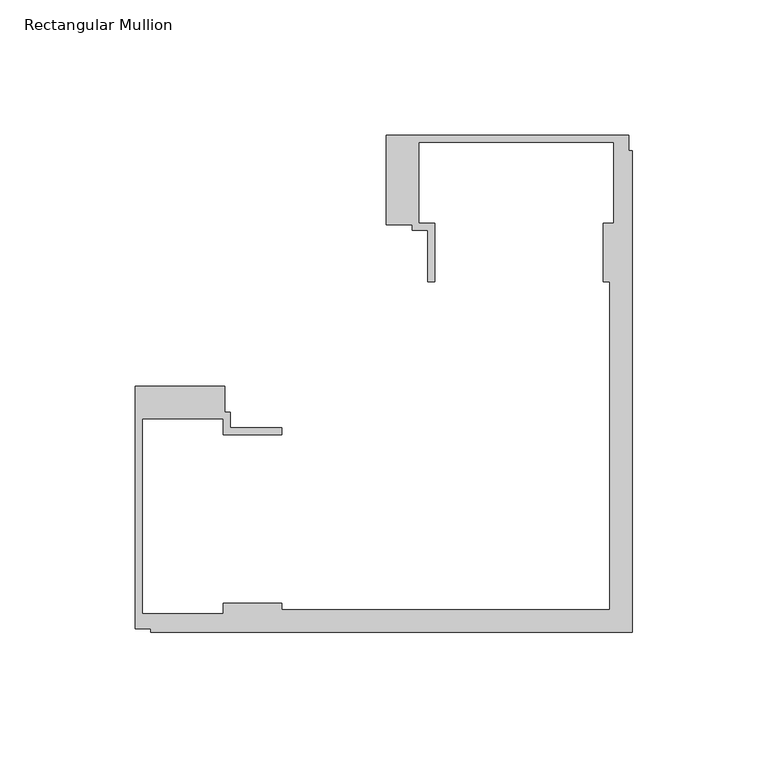
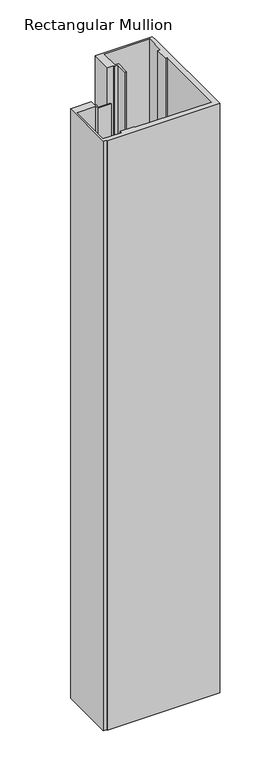
"""IFC4 building model written with IfcOpenShell, lengths in millimetres: member geometry, Rectangular Mullion."""

import ifcopenshell
import ifcopenshell.guid

model = None  # the IFC model being written
_history = None  # IfcOwnerHistory: only IFC2X3 demands one
_inside = {}  # id of a spatial element -> (the spatial element, [elements in it])
_under = {}  # id of a project, library or spatial element -> (it, [spatial elements below it])
_declared = {}  # id of a project -> (the project, [libraries it declares])
_typed = {}  # id of a type object -> (the type object, [elements of that type])
_made_of = {}  # id of a material, layer set ... -> (it, [elements and type objects made of it])


def new_model(schema):
    """Start an empty IFC model of exactly this schema.

    Asked for "IFC4X3", IfcOpenShell would pick the latest addendum, in which some entities
    have other attributes; the version numbers below select the first issue.
    IFC2X3 requires an IfcOwnerHistory on every rooted entity: one is made here for all.
    """
    global model, _history
    if schema == "IFC4X3":
        model = ifcopenshell.file(schema_version=(4, 3, 0, 0))
    else:
        model = ifcopenshell.file(schema=schema)
    _inside.clear()
    _under.clear()
    _declared.clear()
    _typed.clear()
    _made_of.clear()
    _history = None
    if model.schema == "IFC2X3":
        org = make("IfcOrganization", Name="unknown")
        user = make(
            "IfcPersonAndOrganization",
            ThePerson=make("IfcPerson", FamilyName="unknown"),
            TheOrganization=org,
        )
        app = make(
            "IfcApplication",
            ApplicationDeveloper=org,
            Version="unknown",
            ApplicationFullName="unknown",
            ApplicationIdentifier="unknown",
        )
        _history = make(
            "IfcOwnerHistory",
            OwningUser=user,
            OwningApplication=app,
            ChangeAction="ADDED",
            CreationDate=0,
        )
    return model


def make(cls, **values):
    """One entity of the class cls with the attributes given. An attribute that is None is left unset."""
    return model.create_entity(
        cls, **{name: value for name, value in values.items() if value is not None}
    )


def rooted(cls, **values):
    """An entity with a GlobalId (a new one), such as an element, a storey or a relation."""
    return make(cls, GlobalId=ifcopenshell.guid.new(), OwnerHistory=_history, **values)


def si_unit(unit_type, name, prefix=None):
    """IfcSIUnit, for example si_unit("LENGTHUNIT", "METRE", prefix="MILLI")."""
    return make("IfcSIUnit", UnitType=unit_type, Prefix=prefix, Name=name)


def assignment(units):
    """IfcUnitAssignment: the units of a project."""
    return None if units is None else make("IfcUnitAssignment", Units=units)


def point(xyz):
    """IfcCartesianPoint."""
    return None if xyz is None else make("IfcCartesianPoint", Coordinates=xyz)


def direction(xyz):
    """IfcDirection."""
    return None if xyz is None else make("IfcDirection", DirectionRatios=xyz)


def frame(location, z_axis=None, x_axis=None):
    """IfcAxis2Placement3D, a coordinate frame: its origin and axes. An axis left out is left unset."""
    return make(
        "IfcAxis2Placement3D",
        Location=point(location),
        Axis=direction(z_axis),
        RefDirection=direction(x_axis),
    )


def origin():
    """The frame at (0, 0, 0) with its axes left unset."""
    return frame((0.0, 0.0, 0.0))


def place(relative_to, where):
    """IfcLocalPlacement: puts the frame where relative to a parent placement (None: the world)."""
    return make(
        "IfcLocalPlacement", PlacementRelTo=relative_to, RelativePlacement=where
    )


def context(
    kind, dimensions, precision=None, world=None, true_north=None, identifier=None
):
    """IfcGeometricRepresentationContext, for example the 3D "Model" context."""
    return make(
        "IfcGeometricRepresentationContext",
        ContextIdentifier=identifier,
        ContextType=kind,
        CoordinateSpaceDimension=dimensions,
        Precision=precision,
        WorldCoordinateSystem=world,
        TrueNorth=true_north,
    )


def project(units=None, contexts=None):
    """IfcProject with its units and contexts."""
    return rooted(
        "IfcProject",
        Name="project",
        RepresentationContexts=contexts,
        UnitsInContext=assignment(units),
    )


def spatial(cls, under=None, at=None, **own):
    """A site, building, storey or space (cls), placed at a placement, below another one or the project."""
    s = rooted(cls, ObjectPlacement=at, **own)
    if under is not None:
        _under.setdefault(under.id(), (under, []))[1].append(s)
    return s


def polyline(points):
    """IfcPolyline through the points."""
    return make("IfcPolyline", Points=[point(p) for p in points])


def outline(outer, holes=None, kind="AREA"):
    """IfcArbitraryClosedProfileDef: a profile drawn as a closed curve; with holes, ...WithVoids."""
    if holes is None:
        return make("IfcArbitraryClosedProfileDef", ProfileType=kind, OuterCurve=outer)
    return make(
        "IfcArbitraryProfileDefWithVoids",
        ProfileType=kind,
        OuterCurve=outer,
        InnerCurves=holes,
    )


def extrude(swept, where, along, depth):
    """IfcExtrudedAreaSolid: the profile swept, set in the frame where, extruded along a direction by depth."""
    return make(
        "IfcExtrudedAreaSolid",
        SweptArea=swept,
        Position=where,
        ExtrudedDirection=direction(along),
        Depth=depth,
    )


def shape(context_of_items, identifier, shape_type, items):
    """IfcShapeRepresentation: the items that make up one representation, for example the "Body"."""
    return make(
        "IfcShapeRepresentation",
        ContextOfItems=context_of_items,
        RepresentationIdentifier=identifier,
        RepresentationType=shape_type,
        Items=items,
    )


def source(mapping_origin, context_of_items, identifier, shape_type, items):
    """IfcRepresentationMap: a shape defined once, which mapped items show again and again."""
    return make(
        "IfcRepresentationMap",
        MappingOrigin=mapping_origin,
        MappedRepresentation=shape(context_of_items, identifier, shape_type, items),
    )


def transform(
    local_origin,
    x_axis=None,
    y_axis=None,
    z_axis=None,
    scale=None,
    scale2=None,
    scale3=None,
    uniform=True,
):
    """IfcCartesianTransformationOperator3D, or its non-uniform kind. x_axis, y_axis, z_axis: its Axis1, 2, 3."""
    if uniform:
        return make(
            "IfcCartesianTransformationOperator3D",
            Axis1=direction(x_axis),
            Axis2=direction(y_axis),
            LocalOrigin=point(local_origin),
            Scale=scale,
            Axis3=direction(z_axis),
        )
    return make(
        "IfcCartesianTransformationOperator3DnonUniform",
        Axis1=direction(x_axis),
        Axis2=direction(y_axis),
        LocalOrigin=point(local_origin),
        Scale=scale,
        Axis3=direction(z_axis),
        Scale2=scale2,
        Scale3=scale3,
    )


def mapped(mapping_source, mapping_target):
    """IfcMappedItem: shows the shape of a source again, moved by a transform."""
    return make(
        "IfcMappedItem", MappingSource=mapping_source, MappingTarget=mapping_target
    )


def made_of(thing, what):
    """Note that an element or type object is made of a material, layer set ...; save() writes the relation."""
    if what is not None:
        _made_of.setdefault(what.id(), (what, []))[1].append(thing)
    return thing


def element(
    cls,
    number,
    at=None,
    inside=None,
    cuts=None,
    type_object=None,
    material=None,
    context=None,
    identifier="Body",
    shape_type=None,
    held_by="IfcProductDefinitionShape",
    body=None,
    shapes=None,
    **own,
):
    """One element of the class cls, such as IfcWall. Its Tag is "e" and its number.

    at: its placement. inside: the storey or other place that contains it. cuts: it is an
    opening in that element (IfcRelVoidsElement). A single representation is given by context,
    identifier, shape_type and body (its items); several are given by shapes. held_by: the class
    of the entity that holds the representations. save() writes the other relations.
    """
    e = rooted(cls, Tag="e%d" % number, ObjectPlacement=at, **own)
    if body is not None:
        shapes = [shape(context, identifier, shape_type, body)]
    if shapes is not None:
        e.Representation = make(held_by, Representations=shapes)
    if inside is not None:
        _inside.setdefault(inside.id(), (inside, []))[1].append(e)
    if cuts is not None:
        rooted(
            "IfcRelVoidsElement", RelatingBuildingElement=cuts, RelatedOpeningElement=e
        )
    if type_object is not None:
        _typed.setdefault(type_object.id(), (type_object, []))[1].append(e)
    return made_of(e, material)


def aggregate(whole, parts):
    """IfcRelAggregates: a whole, such as a stair, and the parts it consists of."""
    return rooted("IfcRelAggregates", RelatingObject=whole, RelatedObjects=parts)


def save(model, path):
    """Write the relations noted so far, then the file.

    IfcRelAggregates (storeys below a building ...), IfcRelContainedInSpatialStructure (elements
    in a storey), IfcRelDefinesByType, IfcRelAssociatesMaterial and IfcRelDeclares: one each for
    every whole, place, type object, material and project.
    """
    for whole, parts in _under.values():
        aggregate(whole, parts)
    for where, things in _inside.values():
        rooted(
            "IfcRelContainedInSpatialStructure",
            RelatedElements=things,
            RelatingStructure=where,
        )
    for kind, things in _typed.values():
        rooted("IfcRelDefinesByType", RelatedObjects=things, RelatingType=kind)
    for what, things in _made_of.values():
        rooted("IfcRelAssociatesMaterial", RelatedObjects=things, RelatingMaterial=what)
    for by, libraries in _declared.values():
        rooted("IfcRelDeclares", RelatingContext=by, RelatedDefinitions=libraries)
    model.write(path)


def rectangular_mullion_1a3a64a9(model_context):
    return source(origin(), model_context, "Body", "SweptSolid", [
        extrude(outline(polyline([(-150.4039146, -14.9961656), (-150.4039146, -24.4862839), (-148.4039146, -24.4862839), (-148.4039146, -30.2961656), (-129.4039146, -30.2961656), (-129.4039146, -32.7961656), (-150.9039146, -32.7961656), (-150.9039146, -26.9961656), (-180.9039146, -26.9961656), (-180.9039146, -98.9961656), (-150.9039146, -98.9961656), (-150.9039146, -94.9961656), (-129.4039146, -94.9961656), (-129.4039146, -97.4961656), (-8.2039451, -97.4961656), (-8.2039451, 23.7038038), (-10.7039451, 23.7038038), (-10.7039451, 45.308114), (-6.7039451, 45.308114), (-6.7039451, 75.2038038), (-78.7039451, 75.2038038), (-78.7039451, 45.2038038), (-72.9039451, 45.2038038), (-72.9039451, 23.7038038), (-75.4039451, 23.7038038), (-75.4039451, 42.7038038), (-81.2039451, 42.7038038), (-81.2039451, 44.7038038), (-90.7039451, 44.7038038), (-90.7039451, 77.7038038), (-1.2039451, 77.7038038), (-1.2039451, 71.9884533), (0.0, 71.9884533), (0.0, -105.7001107), (-177.7039408, -105.7001107), (-177.7039408, -104.4961656), (-183.4039146, -104.4961656), (-183.4039146, -14.9961656), (-150.4039146, -14.9961656)])), frame((0.0, 0.0, -983.3287873), z_axis=(0.0, 0.0, 1.0), x_axis=(1.0, 0.0, 0.0)), (0.0, 0.0, 1.0), 983.3287873),
    ])


if __name__ == "__main__":
    model = new_model("IFC4")
    model_context = context("Model", 3, world=origin())
    ifc_project = project(units=[si_unit("LENGTHUNIT", "METRE", prefix="MILLI")], contexts=[model_context])
    site = spatial("IfcSite", under=ifc_project)
    building = spatial("IfcBuilding", under=site)
    placement = place(None, origin())
    rectangular_mullion_shape = rectangular_mullion_1a3a64a9(model_context)
    element("IfcMember", 1, ObjectType="Rectangular Mullion", at=placement, inside=building, context=model_context, shape_type="MappedRepresentation", body=[
        mapped(rectangular_mullion_shape, transform((0.0, 0.0, 0.0), x_axis=(1.0, 0.0, 0.0), y_axis=(0.0, 1.0, 0.0), z_axis=(0.0, 0.0, 1.0))),
    ])
    save(model, "model.ifc")
